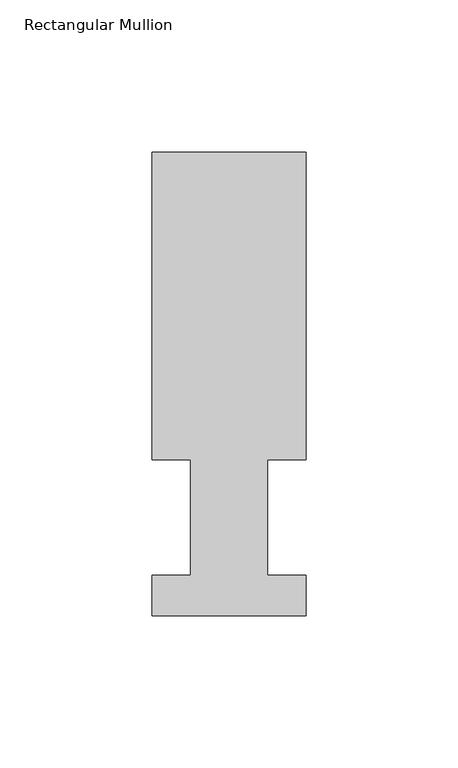
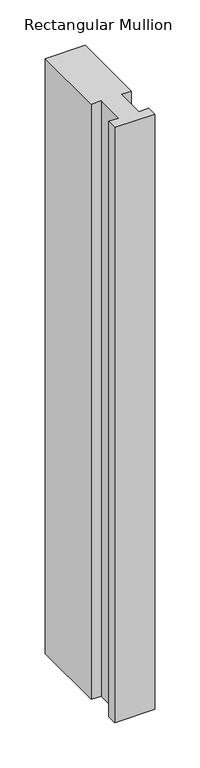
"""IFC4 building model written with IfcOpenShell, lengths in millimetres: member geometry, Rectangular Mullion."""

import ifcopenshell
import ifcopenshell.guid

model = None  # the IFC model being written
_history = None  # IfcOwnerHistory: only IFC2X3 demands one
_inside = {}  # id of a spatial element -> (the spatial element, [elements in it])
_under = {}  # id of a project, library or spatial element -> (it, [spatial elements below it])
_declared = {}  # id of a project -> (the project, [libraries it declares])
_typed = {}  # id of a type object -> (the type object, [elements of that type])
_made_of = {}  # id of a material, layer set ... -> (it, [elements and type objects made of it])


def new_model(schema):
    """Start an empty IFC model of exactly this schema.

    Asked for "IFC4X3", IfcOpenShell would pick the latest addendum, in which some entities
    have other attributes; the version numbers below select the first issue.
    IFC2X3 requires an IfcOwnerHistory on every rooted entity: one is made here for all.
    """
    global model, _history
    if schema == "IFC4X3":
        model = ifcopenshell.file(schema_version=(4, 3, 0, 0))
    else:
        model = ifcopenshell.file(schema=schema)
    _inside.clear()
    _under.clear()
    _declared.clear()
    _typed.clear()
    _made_of.clear()
    _history = None
    if model.schema == "IFC2X3":
        org = make("IfcOrganization", Name="unknown")
        user = make(
            "IfcPersonAndOrganization",
            ThePerson=make("IfcPerson", FamilyName="unknown"),
            TheOrganization=org,
        )
        app = make(
            "IfcApplication",
            ApplicationDeveloper=org,
            Version="unknown",
            ApplicationFullName="unknown",
            ApplicationIdentifier="unknown",
        )
        _history = make(
            "IfcOwnerHistory",
            OwningUser=user,
            OwningApplication=app,
            ChangeAction="ADDED",
            CreationDate=0,
        )
    return model


def make(cls, **values):
    """One entity of the class cls with the attributes given. An attribute that is None is left unset."""
    return model.create_entity(
        cls, **{name: value for name, value in values.items() if value is not None}
    )


def rooted(cls, **values):
    """An entity with a GlobalId (a new one), such as an element, a storey or a relation."""
    return make(cls, GlobalId=ifcopenshell.guid.new(), OwnerHistory=_history, **values)


def si_unit(unit_type, name, prefix=None):
    """IfcSIUnit, for example si_unit("LENGTHUNIT", "METRE", prefix="MILLI")."""
    return make("IfcSIUnit", UnitType=unit_type, Prefix=prefix, Name=name)


def assignment(units):
    """IfcUnitAssignment: the units of a project."""
    return None if units is None else make("IfcUnitAssignment", Units=units)


def point(xyz):
    """IfcCartesianPoint."""
    return None if xyz is None else make("IfcCartesianPoint", Coordinates=xyz)


def direction(xyz):
    """IfcDirection."""
    return None if xyz is None else make("IfcDirection", DirectionRatios=xyz)


def frame(location, z_axis=None, x_axis=None):
    """IfcAxis2Placement3D, a coordinate frame: its origin and axes. An axis left out is left unset."""
    return make(
        "IfcAxis2Placement3D",
        Location=point(location),
        Axis=direction(z_axis),
        RefDirection=direction(x_axis),
    )


def origin():
    """The frame at (0, 0, 0) with its axes left unset."""
    return frame((0.0, 0.0, 0.0))


def place(relative_to, where):
    """IfcLocalPlacement: puts the frame where relative to a parent placement (None: the world)."""
    return make(
        "IfcLocalPlacement", PlacementRelTo=relative_to, RelativePlacement=where
    )


def context(
    kind, dimensions, precision=None, world=None, true_north=None, identifier=None
):
    """IfcGeometricRepresentationContext, for example the 3D "Model" context."""
    return make(
        "IfcGeometricRepresentationContext",
        ContextIdentifier=identifier,
        ContextType=kind,
        CoordinateSpaceDimension=dimensions,
        Precision=precision,
        WorldCoordinateSystem=world,
        TrueNorth=true_north,
    )


def project(units=None, contexts=None):
    """IfcProject with its units and contexts."""
    return rooted(
        "IfcProject",
        Name="project",
        RepresentationContexts=contexts,
        UnitsInContext=assignment(units),
    )


def spatial(cls, under=None, at=None, **own):
    """A site, building, storey or space (cls), placed at a placement, below another one or the project."""
    s = rooted(cls, ObjectPlacement=at, **own)
    if under is not None:
        _under.setdefault(under.id(), (under, []))[1].append(s)
    return s


def polyline(points):
    """IfcPolyline through the points."""
    return make("IfcPolyline", Points=[point(p) for p in points])


def outline(outer, holes=None, kind="AREA"):
    """IfcArbitraryClosedProfileDef: a profile drawn as a closed curve; with holes, ...WithVoids."""
    if holes is None:
        return make("IfcArbitraryClosedProfileDef", ProfileType=kind, OuterCurve=outer)
    return make(
        "IfcArbitraryProfileDefWithVoids",
        ProfileType=kind,
        OuterCurve=outer,
        InnerCurves=holes,
    )


def extrude(swept, where, along, depth):
    """IfcExtrudedAreaSolid: the profile swept, set in the frame where, extruded along a direction by depth."""
    return make(
        "IfcExtrudedAreaSolid",
        SweptArea=swept,
        Position=where,
        ExtrudedDirection=direction(along),
        Depth=depth,
    )


def shape(context_of_items, identifier, shape_type, items):
    """IfcShapeRepresentation: the items that make up one representation, for example the "Body"."""
    return make(
        "IfcShapeRepresentation",
        ContextOfItems=context_of_items,
        RepresentationIdentifier=identifier,
        RepresentationType=shape_type,
        Items=items,
    )


def source(mapping_origin, context_of_items, identifier, shape_type, items):
    """IfcRepresentationMap: a shape defined once, which mapped items show again and again."""
    return make(
        "IfcRepresentationMap",
        MappingOrigin=mapping_origin,
        MappedRepresentation=shape(context_of_items, identifier, shape_type, items),
    )


def transform(
    local_origin,
    x_axis=None,
    y_axis=None,
    z_axis=None,
    scale=None,
    scale2=None,
    scale3=None,
    uniform=True,
):
    """IfcCartesianTransformationOperator3D, or its non-uniform kind. x_axis, y_axis, z_axis: its Axis1, 2, 3."""
    if uniform:
        return make(
            "IfcCartesianTransformationOperator3D",
            Axis1=direction(x_axis),
            Axis2=direction(y_axis),
            LocalOrigin=point(local_origin),
            Scale=scale,
            Axis3=direction(z_axis),
        )
    return make(
        "IfcCartesianTransformationOperator3DnonUniform",
        Axis1=direction(x_axis),
        Axis2=direction(y_axis),
        LocalOrigin=point(local_origin),
        Scale=scale,
        Axis3=direction(z_axis),
        Scale2=scale2,
        Scale3=scale3,
    )


def mapped(mapping_source, mapping_target):
    """IfcMappedItem: shows the shape of a source again, moved by a transform."""
    return make(
        "IfcMappedItem", MappingSource=mapping_source, MappingTarget=mapping_target
    )


def made_of(thing, what):
    """Note that an element or type object is made of a material, layer set ...; save() writes the relation."""
    if what is not None:
        _made_of.setdefault(what.id(), (what, []))[1].append(thing)
    return thing


def element(
    cls,
    number,
    at=None,
    inside=None,
    cuts=None,
    type_object=None,
    material=None,
    context=None,
    identifier="Body",
    shape_type=None,
    held_by="IfcProductDefinitionShape",
    body=None,
    shapes=None,
    **own,
):
    """One element of the class cls, such as IfcWall. Its Tag is "e" and its number.

    at: its placement. inside: the storey or other place that contains it. cuts: it is an
    opening in that element (IfcRelVoidsElement). A single representation is given by context,
    identifier, shape_type and body (its items); several are given by shapes. held_by: the class
    of the entity that holds the representations. save() writes the other relations.
    """
    e = rooted(cls, Tag="e%d" % number, ObjectPlacement=at, **own)
    if body is not None:
        shapes = [shape(context, identifier, shape_type, body)]
    if shapes is not None:
        e.Representation = make(held_by, Representations=shapes)
    if inside is not None:
        _inside.setdefault(inside.id(), (inside, []))[1].append(e)
    if cuts is not None:
        rooted(
            "IfcRelVoidsElement", RelatingBuildingElement=cuts, RelatedOpeningElement=e
        )
    if type_object is not None:
        _typed.setdefault(type_object.id(), (type_object, []))[1].append(e)
    return made_of(e, material)


def aggregate(whole, parts):
    """IfcRelAggregates: a whole, such as a stair, and the parts it consists of."""
    return rooted("IfcRelAggregates", RelatingObject=whole, RelatedObjects=parts)


def save(model, path):
    """Write the relations noted so far, then the file.

    IfcRelAggregates (storeys below a building ...), IfcRelContainedInSpatialStructure (elements
    in a storey), IfcRelDefinesByType, IfcRelAssociatesMaterial and IfcRelDeclares: one each for
    every whole, place, type object, material and project.
    """
    for whole, parts in _under.values():
        aggregate(whole, parts)
    for where, things in _inside.values():
        rooted(
            "IfcRelContainedInSpatialStructure",
            RelatedElements=things,
            RelatingStructure=where,
        )
    for kind, things in _typed.values():
        rooted("IfcRelDefinesByType", RelatedObjects=things, RelatingType=kind)
    for what, things in _made_of.values():
        rooted("IfcRelAssociatesMaterial", RelatedObjects=things, RelatingMaterial=what)
    for by, libraries in _declared.values():
        rooted("IfcRelDeclares", RelatingContext=by, RelatedDefinitions=libraries)
    model.write(path)


def rectangular_mullion_67b5283f(model_context):
    return source(origin(), model_context, "Body", "SweptSolid", [
        extrude(outline(polyline([(-25.4, 152.4988119), (25.4, 152.4988119), (25.4, 51.2960938), (12.7, 51.2960938), (12.7, 13.1960938), (25.4, 13.1960938), (25.4, 0.0134937), (-25.4, 0.0134937), (-25.4, 13.1960938), (-12.7, 13.1960938), (-12.7, 51.2960938), (-25.4, 51.2960938), (-25.4, 152.4988119)])), frame((0.0, 0.0, -800.1), z_axis=(0.0, 0.0, 1.0), x_axis=(1.0, 0.0, 0.0)), (0.0, 0.0, 1.0), 800.1),
    ])


if __name__ == "__main__":
    model = new_model("IFC4")
    model_context = context("Model", 3, world=origin())
    ifc_project = project(units=[si_unit("LENGTHUNIT", "METRE", prefix="MILLI")], contexts=[model_context])
    site = spatial("IfcSite", under=ifc_project)
    building = spatial("IfcBuilding", under=site)
    placement = place(None, origin())
    rectangular_mullion_shape = rectangular_mullion_67b5283f(model_context)
    element("IfcMember", 1, ObjectType="Rectangular Mullion", at=placement, inside=building, context=model_context, shape_type="MappedRepresentation", body=[
        mapped(rectangular_mullion_shape, transform((0.0, 0.0, 0.0), x_axis=(1.0, 0.0, 0.0), y_axis=(0.0, 1.0, 0.0), z_axis=(0.0, 0.0, 1.0))),
    ])
    save(model, "model.ifc")
